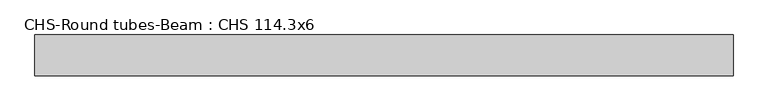
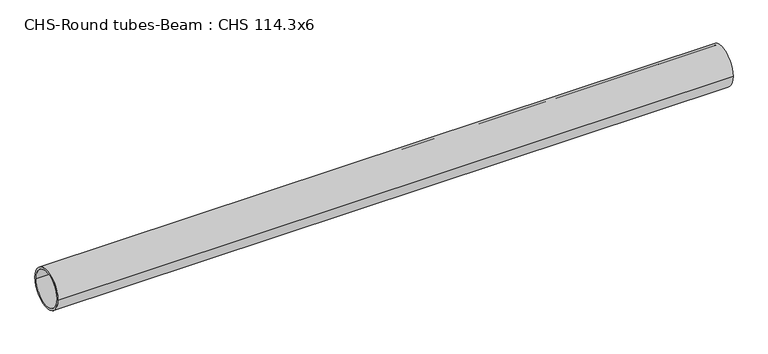
"""IFC4 building model written with IfcOpenShell, lengths in millimetres: beam geometry, CHS-Round tubes-Beam : CHS 114.3x6."""

from ifc_helpers import new_model, si_unit, point, frame, origin, origin_2d, place, context, project, spatial, circle_curve, trimmed, segment, composite_curve, outline, extrude, source, transform, mapped, element, save


def chs_round_tubes_beam_chs_114_3x6_ff6221f7(model_context):
    return source(origin(), model_context, "Body", "SweptSolid", [
        extrude(outline(composite_curve([segment(trimmed(circle_curve(origin_2d(), 57.15), [point((57.15, 0.0))], [point((-57.15, 0.0))], False, "CARTESIAN"), True, "CONTINUOUS"), segment(trimmed(circle_curve(origin_2d(), 57.15), [point((-57.15, 0.0))], [point((57.15, 0.0))], False, "CARTESIAN"), True, "CONTINUOUS")], self_intersect=False), holes=[composite_curve([segment(trimmed(circle_curve(origin_2d(), 51.15), [point((51.15, 0.0))], [point((-51.15, 0.0))], True, "CARTESIAN"), True, "CONTINUOUS"), segment(trimmed(circle_curve(origin_2d(), 51.15), [point((-51.15, 0.0))], [point((51.15, 0.0))], True, "CARTESIAN"), True, "CONTINUOUS")], self_intersect=False)]), frame((-975.9675536, 0.0, 0.0), z_axis=(1.0, 0.0, 0.0), x_axis=(0.0, 1.0, 0.0)), (0.0, 0.0, 1.0), 1943.2158941),
    ])


if __name__ == "__main__":
    model = new_model("IFC4")
    model_context = context("Model", 3, world=origin())
    ifc_project = project(units=[si_unit("LENGTHUNIT", "METRE", prefix="MILLI")], contexts=[model_context])
    site = spatial("IfcSite", under=ifc_project)
    building = spatial("IfcBuilding", under=site)
    placement = place(None, origin())
    chs_round_tubes_beam_chs_114_3x6_shape = chs_round_tubes_beam_chs_114_3x6_ff6221f7(model_context)
    element("IfcBeam", 1, ObjectType="CHS-Round tubes-Beam : CHS 114.3x6", at=placement, inside=building, context=model_context, shape_type="MappedRepresentation", body=[
        mapped(chs_round_tubes_beam_chs_114_3x6_shape, transform((0.0, 0.0, 0.0), x_axis=(1.0, 0.0, 0.0), y_axis=(0.0, 1.0, 0.0), z_axis=(0.0, 0.0, 1.0))),
    ])
    save(model, "model.ifc")
